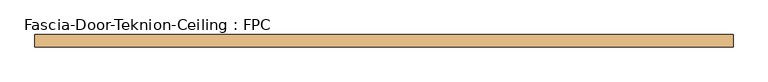
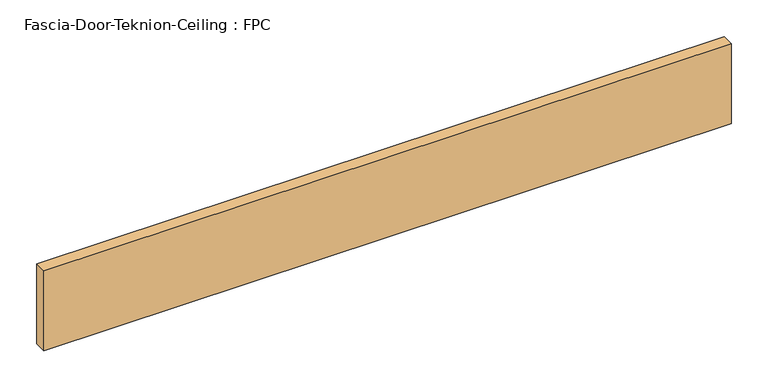
"""IFC4 building model written with IfcOpenShell, lengths in millimetres: door geometry, Fascia-Door-Teknion-Ceiling : FPC."""

from ifc_helpers import new_model, si_unit, origin, origin_with_axes, place, context, project, spatial, polyline, outline, extrude, source, transform, mapped, element, save


def fascia_door_teknion_ceiling_fpc_d2d9a834(model_context):
    return source(origin(), model_context, "Body", "SweptSolid", [
        extrude(outline(polyline([(537.5175781, 0.0), (-537.5175781, 0.0), (-537.5175781, 19.05), (537.5175781, 19.05), (537.5175781, 0.0)])), origin_with_axes(), (0.0, 0.0, 1.0), 132.08),
    ])


if __name__ == "__main__":
    model = new_model("IFC4")
    model_context = context("Model", 3, world=origin())
    ifc_project = project(units=[si_unit("LENGTHUNIT", "METRE", prefix="MILLI")], contexts=[model_context])
    site = spatial("IfcSite", under=ifc_project)
    building = spatial("IfcBuilding", under=site)
    placement = place(None, origin())
    fascia_door_teknion_ceiling_fpc_shape = fascia_door_teknion_ceiling_fpc_d2d9a834(model_context)
    element("IfcDoor", 1, ObjectType="Fascia-Door-Teknion-Ceiling : FPC", at=placement, inside=building, context=model_context, shape_type="MappedRepresentation", body=[
        mapped(fascia_door_teknion_ceiling_fpc_shape, transform((0.0, 0.0, 0.0), x_axis=(1.0, 0.0, 0.0), y_axis=(0.0, 1.0, 0.0), z_axis=(0.0, 0.0, 1.0))),
    ])
    save(model, "model.ifc")
